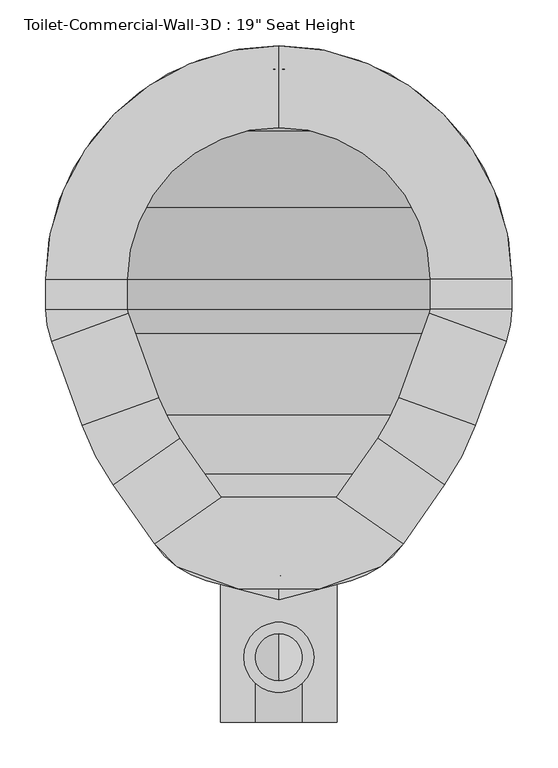
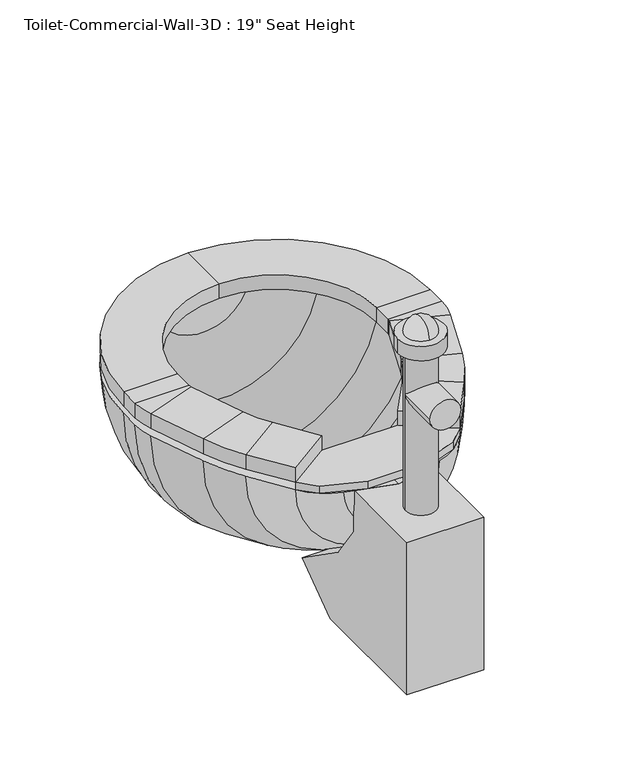
"""IFC4 building model written with IfcOpenShell, lengths in millimetres: flow terminal geometry."""

from ifc_helpers import new_model, si_unit, point, frame, frame_2d, origin, place, context, project, spatial, polyline, circle_curve, ellipse_curve, trimmed, segment, composite_curve, outline, extrude, source, transform, mapped, element, save
from ifc_brep_helpers import plane_surface, cylinder_surface, revolved_surface, advanced_brep


def flow_terminal_38ba6f98(model_context):
    return source(origin(), model_context, "Body", "SolidModel", [
        extrude(outline(polyline([(467.7541169, 397.4347495), (540.5767337, 346.4438043), (515.6262519, 321.4933226), (449.563909, 297.4485961), (360.2423986, 297.4485961), (294.1800557, 321.4933226), (269.229574, 346.4438043), (342.0521907, 397.4347495), (467.7541169, 397.4347495)])), frame((0.0, 0.0, 444.5), z_axis=(0.0, 0.0, 1.0), x_axis=(1.0, 0.0, 0.0)), (0.0, 0.0, 1.0), 12.7),
        advanced_brep(
        [(467.7541169, 397.4347495, 457.2), (540.5767337, 346.4438043, 457.2), (540.5767337, 346.4438043, 482.6), (467.7541169, 397.4347495, 482.6), (512.8583992, 461.8503403, 457.2), (585.6810159, 410.8593951, 457.2), (585.6810159, 410.8593951, 482.6), (512.8583992, 461.8503403, 482.6), (619.360053, 475.5562234, 457.2), (535.821379, 505.9618141, 457.2), (619.360053, 475.5562234, 482.6), (535.821379, 505.9618141, 482.6), (569.2372501, 597.7711654, 457.2), (652.7759241, 567.3655747, 457.2), (652.7759241, 567.3655747, 482.6), (569.2372501, 597.7711654, 482.6), (658.9031538, 602.1148212, 457.2), (570.0031538, 602.1148212, 457.2), (658.9031538, 602.1148212, 482.6), (570.0031538, 602.1148212, 482.6), (570.0031538, 635.0, 457.2), (658.9031538, 635.0, 457.2), (658.9031538, 635.0, 482.6), (570.0031538, 635.0, 482.6), (404.9031538, 889.0, 457.2), (404.9031538, 800.1, 457.2), (404.9031538, 889.0, 482.6), (404.9031538, 800.1, 482.6), (150.9031538, 635.0, 457.2), (239.8031538, 635.0, 457.2), (150.9031538, 635.0, 482.6), (239.8031538, 635.0, 482.6), (239.8031538, 602.1148212, 457.2), (150.9031538, 602.1148212, 457.2), (150.9031538, 602.1148212, 482.6), (239.8031538, 602.1148212, 482.6), (157.0303835, 567.3655747, 457.2), (240.5690575, 597.7711654, 457.2), (157.0303835, 567.3655747, 482.6), (240.5690575, 597.7711654, 482.6), (273.9849286, 505.9618141, 457.2), (190.4462546, 475.5562234, 457.2), (190.4462546, 475.5562234, 482.6), (273.9849286, 505.9618141, 482.6), (224.1252917, 410.8593951, 457.2), (296.9479084, 461.8503403, 457.2), (224.1252917, 410.8593951, 482.6), (296.9479084, 461.8503403, 482.6), (342.0521907, 397.4347495, 457.2), (342.0521907, 397.4347495, 482.6), (269.229574, 346.4438043, 482.6), (269.229574, 346.4438043, 457.2)],
        [
            (0, 1),
            (1, 2),
            (2, 3),
            (3, 0),
            (0, 4),
            (4, 5),
            (5, 1),
            (5, 6),
            (6, 2),
            (6, 7),
            (7, 3),
            (7, 4),
            (8, 5, circle_curve(frame((356.8099347, 571.1166514, 457.2), z_axis=(0.0, 0.0, -1.0), x_axis=(0.81915204428899, -0.5735764363510486, 0.0)), 279.4)),
            (4, 9, circle_curve(frame((356.8099347, 571.1166514, 457.2), z_axis=(0.0, 0.0, 1.0), x_axis=(0.81915204428899, -0.5735764363510486, 0.0)), 190.5)),
            (9, 8),
            (10, 6, circle_curve(frame((356.8099347, 571.1166514, 482.6), z_axis=(0.0, 0.0, -1.0), x_axis=(0.81915204428899, -0.5735764363510486, 0.0)), 279.4)),
            (8, 10),
            (11, 7, circle_curve(frame((356.8099347, 571.1166514, 482.6), z_axis=(0.0, 0.0, -1.0), x_axis=(0.81915204428899, -0.5735764363510486, 0.0)), 190.5)),
            (10, 11),
            (11, 9),
            (9, 12),
            (12, 13),
            (13, 8),
            (13, 14),
            (14, 10),
            (14, 15),
            (15, 11),
            (15, 12),
            (16, 13, circle_curve(frame((557.3031538, 602.1148212, 457.2), z_axis=(0.0, 0.0, -1.0), x_axis=(0.939692620785906, -0.34202014332567526, 0.0)), 101.6)),
            (12, 17, circle_curve(frame((557.3031538, 602.1148212, 457.2), z_axis=(0.0, 0.0, 1.0), x_axis=(0.939692620785906, -0.34202014332567526, 0.0)), 12.7)),
            (17, 16),
            (18, 14, circle_curve(frame((557.3031538, 602.1148212, 482.6), z_axis=(0.0, 0.0, -1.0), x_axis=(0.939692620785906, -0.34202014332567526, 0.0)), 101.6)),
            (16, 18),
            (19, 15, circle_curve(frame((557.3031538, 602.1148212, 482.6), z_axis=(0.0, 0.0, -1.0), x_axis=(0.939692620785906, -0.34202014332567526, 0.0)), 12.7)),
            (18, 19),
            (19, 17),
            (17, 20),
            (20, 21),
            (21, 16),
            (21, 22),
            (22, 18),
            (22, 23),
            (23, 19),
            (23, 20),
            (24, 21, circle_curve(frame((404.9031538, 635.0, 457.2), z_axis=(0.0, 0.0, -1.0), x_axis=(1.0, 0.0, 0.0)), 254.0)),
            (20, 25, circle_curve(frame((404.9031538, 635.0, 457.2), z_axis=(0.0, 0.0, 1.0), x_axis=(1.0, 0.0, 0.0)), 165.1)),
            (25, 24),
            (26, 22, circle_curve(frame((404.9031538, 635.0, 482.6), z_axis=(0.0, 0.0, -1.0), x_axis=(1.0, 0.0, 0.0)), 254.0)),
            (24, 26),
            (27, 23, circle_curve(frame((404.9031538, 635.0, 482.6), z_axis=(0.0, 0.0, -1.0), x_axis=(1.0, 0.0, 0.0)), 165.1)),
            (26, 27),
            (27, 25),
            (28, 24, circle_curve(frame((404.9031538, 635.0, 457.2), z_axis=(0.0, 0.0, -1.0), x_axis=(0.0, 1.0, 0.0)), 254.0)),
            (25, 29, circle_curve(frame((404.9031538, 635.0, 457.2), z_axis=(0.0, 0.0, 1.0), x_axis=(0.0, 1.0, 0.0)), 165.1)),
            (29, 28),
            (30, 26, circle_curve(frame((404.9031538, 635.0, 482.6), z_axis=(0.0, 0.0, -1.0), x_axis=(0.0, 1.0, 0.0)), 254.0)),
            (28, 30),
            (31, 27, circle_curve(frame((404.9031538, 635.0, 482.6), z_axis=(0.0, 0.0, -1.0), x_axis=(0.0, 1.0, 0.0)), 165.1)),
            (30, 31),
            (31, 29),
            (29, 32),
            (32, 33),
            (33, 28),
            (33, 34),
            (34, 30),
            (34, 35),
            (35, 31),
            (35, 32),
            (36, 33, circle_curve(frame((252.5031538, 602.1148212, 457.2), z_axis=(0.0, 0.0, -1.0), x_axis=(-1.0, 0.0, 0.0)), 101.6)),
            (32, 37, circle_curve(frame((252.5031538, 602.1148212, 457.2), z_axis=(0.0, 0.0, 1.0), x_axis=(-1.0, 0.0, 0.0)), 12.7)),
            (37, 36),
            (38, 34, circle_curve(frame((252.5031538, 602.1148212, 482.6), z_axis=(0.0, 0.0, -1.0), x_axis=(-1.0, 0.0, 0.0)), 101.6)),
            (36, 38),
            (39, 35, circle_curve(frame((252.5031538, 602.1148212, 482.6), z_axis=(0.0, 0.0, -1.0), x_axis=(-1.0, 0.0, 0.0)), 12.7)),
            (38, 39),
            (39, 37),
            (37, 40),
            (40, 41),
            (41, 36),
            (41, 42),
            (42, 38),
            (42, 43),
            (43, 39),
            (43, 40),
            (44, 41, circle_curve(frame((452.9963729, 571.1166514, 457.2), z_axis=(0.0, 0.0, -1.0), x_axis=(-0.9396926207859088, -0.34202014332566766, 0.0)), 279.4)),
            (40, 45, circle_curve(frame((452.9963729, 571.1166514, 457.2), z_axis=(0.0, 0.0, 1.0), x_axis=(-0.9396926207859088, -0.34202014332566766, 0.0)), 190.5)),
            (45, 44),
            (46, 42, circle_curve(frame((452.9963729, 571.1166514, 482.6), z_axis=(0.0, 0.0, -1.0), x_axis=(-0.9396926207859088, -0.34202014332566766, 0.0)), 279.4)),
            (44, 46),
            (47, 43, circle_curve(frame((452.9963729, 571.1166514, 482.6), z_axis=(0.0, 0.0, -1.0), x_axis=(-0.9396926207859088, -0.34202014332566766, 0.0)), 190.5)),
            (46, 47),
            (47, 45),
            (48, 49),
            (49, 50),
            (50, 51),
            (51, 48),
            (45, 48),
            (51, 44),
            (50, 46),
            (49, 47),
        ],
        [
            plane_surface(frame((540.5767337, 346.4438043, 541.2203184), z_axis=(-0.5735764363510383, -0.8191520442889972, 0.0), x_axis=(0.8191520442889972, -0.5735764363510383, 0.0))),
            plane_surface(frame((467.7541169, 397.4347495, 457.2), z_axis=(0.0, 0.0, -1.0000000000000002), x_axis=(0.5735764363510378, 0.8191520442889977, 0.0))),
            plane_surface(frame((540.5767337, 346.4438043, 457.2), z_axis=(0.8191520442889969, -0.5735764363510387, 0.0), x_axis=(0.5735764363510387, 0.8191520442889969, 0.0))),
            plane_surface(frame((540.5767337, 346.4438043, 482.6), z_axis=(0.0, 0.0, 1.0), x_axis=(0.5735764363510382, 0.8191520442889973, 0.0))),
            plane_surface(frame((467.7541169, 397.4347495, 482.6), z_axis=(-0.8191520442889973, 0.5735764363510382, 0.0), x_axis=(0.5735764363510382, 0.8191520442889973, 0.0))),
            plane_surface(frame((356.8099347, 571.1166514, 457.2), z_axis=(0.0, 0.0, -1.0), x_axis=(0.81915204428899, -0.5735764363510486, 0.0))),
            cylinder_surface(frame((356.8099347, 571.1166514, 444.5), z_axis=(0.0, 0.0, 1.0), x_axis=(0.81915204428899, -0.5735764363510486, 0.0)), 279.4),
            plane_surface(frame((356.8099347, 571.1166514, 482.6), z_axis=(0.0, 0.0, 1.0), x_axis=(0.81915204428899, -0.5735764363510486, 0.0))),
            revolved_surface(polyline([(512.8583991370526, 461.8503402751253, 482.6), (512.8583991370526, 461.8503402751253, 457.2)]), (356.8099347, 571.1166514, 444.5), (0.0, 0.0, 1.0)),
            plane_surface(frame((535.821379, 505.9618141, 457.2), z_axis=(0.0, 0.0, -1.0), x_axis=(0.34202014332566494, 0.9396926207859098, 0.0))),
            plane_surface(frame((619.360053, 475.5562234, 457.2), z_axis=(0.9396926207859094, -0.34202014332566594, 0.0), x_axis=(0.34202014332566594, 0.9396926207859094, 0.0))),
            plane_surface(frame((619.360053, 475.5562234, 482.6), z_axis=(0.0, 0.0, 1.0), x_axis=(0.34202014332566427, 0.93969262078591, 0.0))),
            plane_surface(frame((535.821379, 505.9618141, 482.6), z_axis=(-0.9396926207859093, 0.34202014332566644, 0.0), x_axis=(0.34202014332566644, 0.9396926207859093, 0.0))),
            plane_surface(frame((557.3031538, 602.1148212, 457.2), z_axis=(0.0, 0.0, -1.0), x_axis=(0.939692620785906, -0.34202014332567526, 0.0))),
            cylinder_surface(frame((557.3031538, 602.1148212, 444.5), z_axis=(0.0, 0.0, 1.0), x_axis=(0.939692620785906, -0.34202014332567526, 0.0)), 101.6),
            plane_surface(frame((557.3031538, 602.1148212, 482.6), z_axis=(0.0, 0.0, 1.0), x_axis=(0.939692620785906, -0.34202014332567526, 0.0))),
            revolved_surface(polyline([(569.237250083981, 597.7711653797639, 482.6), (569.237250083981, 597.7711653797639, 457.2)]), (557.3031538, 602.1148212, 444.5), (0.0, 0.0, 1.0)),
            plane_surface(frame((570.0031538, 602.1148212, 457.2), z_axis=(0.0, 0.0, -1.0), x_axis=(0.0, 1.0, 0.0))),
            plane_surface(frame((658.9031538, 602.1148212, 457.2), z_axis=(1.0, 0.0, 0.0), x_axis=(0.0, 1.0, 0.0))),
            plane_surface(frame((658.9031538, 602.1148212, 482.6), z_axis=(0.0, 0.0, 1.0), x_axis=(0.0, 1.0, 0.0))),
            plane_surface(frame((570.0031538, 602.1148212, 482.6), z_axis=(-1.0, 0.0, 0.0), x_axis=(0.0, 1.0, 0.0))),
            plane_surface(frame((404.9031538, 635.0, 457.2), z_axis=(0.0, 0.0, -1.0), x_axis=(1.0, 0.0, 0.0))),
            cylinder_surface(frame((404.9031538, 635.0, 444.5), z_axis=(0.0, 0.0, 1.0), x_axis=(1.0, 0.0, 0.0)), 254.0),
            plane_surface(frame((404.9031538, 635.0, 482.6), z_axis=(0.0, 0.0, 1.0), x_axis=(1.0, 0.0, 0.0))),
            revolved_surface(polyline([(570.0031538, 635.0, 482.6), (570.0031538, 635.0, 457.2)]), (404.9031538, 635.0, 444.5), (0.0, 0.0, 1.0)),
            plane_surface(frame((404.9031538, 635.0, 457.2), z_axis=(0.0, 0.0, -1.0), x_axis=(0.0, 1.0, 0.0))),
            cylinder_surface(frame((404.9031538, 635.0, 444.5), z_axis=(0.0, 0.0, 1.0), x_axis=(0.0, 1.0, 0.0)), 254.0),
            plane_surface(frame((404.9031538, 635.0, 482.6), z_axis=(0.0, 0.0, 1.0), x_axis=(0.0, 1.0, 0.0))),
            revolved_surface(polyline([(404.9031538, 800.1, 482.6), (404.9031538, 800.1, 457.2)]), (404.9031538, 635.0, 444.5), (0.0, 0.0, 1.0)),
            plane_surface(frame((239.8031538, 635.0, 457.2), z_axis=(0.0, 0.0, -1.0), x_axis=(0.0, -1.0, 0.0))),
            plane_surface(frame((150.9031538, 635.0, 457.2), z_axis=(-1.0, 0.0, 0.0), x_axis=(0.0, -1.0, 0.0))),
            plane_surface(frame((150.9031538, 635.0, 482.6), z_axis=(0.0, 0.0, 1.0), x_axis=(0.0, -1.0, 0.0))),
            plane_surface(frame((239.8031538, 635.0, 482.6), z_axis=(1.0, 0.0, 0.0), x_axis=(0.0, -1.0, 0.0))),
            plane_surface(frame((252.5031538, 602.1148212, 457.2), z_axis=(0.0, 0.0, -1.0), x_axis=(-1.0, 0.0, 0.0))),
            cylinder_surface(frame((252.5031538, 602.1148212, 444.5), z_axis=(0.0, 0.0, 1.0), x_axis=(-1.0, 0.0, 0.0)), 101.6),
            plane_surface(frame((252.5031538, 602.1148212, 482.6), z_axis=(0.0, 0.0, 1.0), x_axis=(-1.0, 0.0, 0.0))),
            revolved_surface(polyline([(239.80315380000002, 602.1148212, 482.6), (239.80315380000002, 602.1148212, 457.2)]), (252.5031538, 602.1148212, 444.5), (0.0, 0.0, 1.0)),
            plane_surface(frame((240.5690575, 597.7711654, 457.2), z_axis=(0.0, 0.0, -1.0), x_axis=(0.34202014332565595, -0.9396926207859131, 0.0))),
            plane_surface(frame((157.0303835, 567.3655747, 457.2), z_axis=(-0.9396926207859132, -0.34202014332565545, 0.0), x_axis=(0.34202014332565545, -0.9396926207859132, 0.0))),
            plane_surface(frame((157.0303835, 567.3655747, 482.6), z_axis=(0.0, 0.0, 1.0000000000000002), x_axis=(0.3420201433256561, -0.9396926207859131, 0.0))),
            plane_surface(frame((240.5690575, 597.7711654, 482.6), z_axis=(0.9396926207859132, 0.34202014332565567, 0.0), x_axis=(0.34202014332565567, -0.9396926207859132, 0.0))),
            plane_surface(frame((452.9963729, 571.1166514, 457.2), z_axis=(0.0, 0.0, -1.0), x_axis=(-0.9396926207859088, -0.34202014332566766, 0.0))),
            cylinder_surface(frame((452.9963729, 571.1166514, 444.5), z_axis=(0.0, 0.0, 1.0), x_axis=(-0.9396926207859088, -0.34202014332566766, 0.0)), 279.4),
            plane_surface(frame((452.9963729, 571.1166514, 482.6), z_axis=(0.0, 0.0, 1.0), x_axis=(-0.9396926207859088, -0.34202014332566766, 0.0))),
            revolved_surface(polyline([(273.98492864028435, 505.96181409646033, 482.6), (273.98492864028435, 505.96181409646033, 457.2)]), (452.9963729, 571.1166514, 444.5), (0.0, 0.0, 1.0)),
            plane_surface(frame((269.229574, 346.4438043, 347.7796816), z_axis=(0.5735764363510499, -0.8191520442889892, 0.0), x_axis=(0.8191520442889892, 0.5735764363510499, 0.0))),
            plane_surface(frame((296.9479084, 461.8503403, 457.2), z_axis=(0.0, 0.0, -1.0000000000000002), x_axis=(0.5735764363510494, -0.8191520442889896, 0.0))),
            plane_surface(frame((224.1252917, 410.8593951, 457.2), z_axis=(-0.819152044288989, -0.5735764363510502, 0.0), x_axis=(0.5735764363510502, -0.819152044288989, 0.0))),
            plane_surface(frame((224.1252917, 410.8593951, 482.6), z_axis=(0.0, 0.0, 1.0000000000000002), x_axis=(0.5735764363510502, -0.819152044288989, 0.0))),
            plane_surface(frame((296.9479084, 461.8503403, 482.6), z_axis=(0.8191520442889896, 0.5735764363510494, 0.0), x_axis=(0.5735764363510494, -0.8191520442889896, 0.0))),
        ],
        [
            (0, [[1, 2, 3, 4]]),
            (1, [[-1, 5, 6, 7]]),
            (2, [[-2, -7, 8, 9]]),
            (3, [[-3, -9, 10, 11]]),
            (4, [[-4, -11, 12, -5]]),
            (5, [[13, -6, 14, 15]]),
            (6, [[16, -8, -13, 17]]),
            (7, [[18, -10, -16, 19]]),
            (8, [[-14, -12, -18, 20]]),
            (9, [[-15, 21, 22, 23]]),
            (10, [[-17, -23, 24, 25]]),
            (11, [[-19, -25, 26, 27]]),
            (12, [[-20, -27, 28, -21]]),
            (13, [[29, -22, 30, 31]]),
            (14, [[32, -24, -29, 33]]),
            (15, [[34, -26, -32, 35]]),
            (16, [[-30, -28, -34, 36]]),
            (17, [[-31, 37, 38, 39]]),
            (18, [[-33, -39, 40, 41]]),
            (19, [[-35, -41, 42, 43]]),
            (20, [[-36, -43, 44, -37]]),
            (21, [[45, -38, 46, 47]]),
            (22, [[48, -40, -45, 49]]),
            (23, [[50, -42, -48, 51]]),
            (24, [[-46, -44, -50, 52]]),
            (25, [[53, -47, 54, 55]]),
            (26, [[56, -49, -53, 57]]),
            (27, [[58, -51, -56, 59]]),
            (28, [[-54, -52, -58, 60]]),
            (29, [[-55, 61, 62, 63]]),
            (30, [[-57, -63, 64, 65]]),
            (31, [[-59, -65, 66, 67]]),
            (32, [[-60, -67, 68, -61]]),
            (33, [[69, -62, 70, 71]]),
            (34, [[72, -64, -69, 73]]),
            (35, [[74, -66, -72, 75]]),
            (36, [[-70, -68, -74, 76]]),
            (37, [[-71, 77, 78, 79]]),
            (38, [[-73, -79, 80, 81]]),
            (39, [[-75, -81, 82, 83]]),
            (40, [[-76, -83, 84, -77]]),
            (41, [[85, -78, 86, 87]]),
            (42, [[88, -80, -85, 89]]),
            (43, [[90, -82, -88, 91]]),
            (44, [[-86, -84, -90, 92]]),
            (45, [[93, 94, 95, 96]]),
            (46, [[-87, 97, -96, 98]]),
            (47, [[-89, -98, -95, 99]]),
            (48, [[-91, -99, -94, 100]]),
            (49, [[-92, -100, -93, -97]]),
        ],
    ),
        advanced_brep(
        [(491.7762702, 873.6819257, 444.5), (404.9031538, 889.0, 444.5), (404.9031538, 863.6, 444.5), (483.0889586, 849.8137331, 444.5), (566.547764, 796.6446102, 444.5), (619.7168869, 713.1858048, 444.5), (633.5031538, 635.0, 444.5), (633.5031538, 602.1148212, 444.5), (628.9077315, 576.0528863, 444.5), (596.6355667, 487.3858422, 444.5), (562.9565296, 422.6890139, 444.5), (525.0728964, 368.5855786, 444.5), (468.1430637, 328.7228806, 444.5), (404.9031538, 311.7777978, 444.5), (404.9031538, 285.4817829, 444.5), (483.6469009, 306.5811063, 444.5), (540.5767337, 346.4438043, 444.5), (585.6810159, 410.8593951, 444.5), (619.360053, 475.5562234, 444.5), (652.7759241, 567.3655747, 444.5), (658.9031538, 602.1148212, 444.5), (658.9031538, 635.0, 444.5), (643.5850795, 721.8731164, 444.5), (584.5082762, 814.6051224, 444.5), (318.0300374, 873.6819257, 444.5), (225.2980314, 814.6051224, 444.5), (166.2212281, 721.8731164, 444.5), (150.9031538, 635.0, 444.5), (150.9031538, 602.1148212, 444.5), (157.0303835, 567.3655747, 444.5), (190.4462546, 475.5562234, 444.5), (224.1252917, 410.8593951, 444.5), (269.229574, 346.4438043, 444.5), (326.1594067, 306.5811063, 444.5), (341.663244, 328.7228806, 444.5), (284.7334112, 368.5855786, 444.5), (246.849778, 422.6890139, 444.5), (213.1707409, 487.3858422, 444.5), (180.8985761, 576.0528863, 444.5), (176.3031538, 602.1148212, 444.5), (176.3031538, 635.0, 444.5), (190.0894207, 713.1858048, 444.5), (243.2585436, 796.6446102, 444.5), (326.7173491, 849.8137331, 444.5)],
        [
            (0, 1, circle_curve(frame((404.9031538, 635.0, 444.5), z_axis=(0.0, 0.0, 1.0), x_axis=(1.0, 0.0, 0.0)), 254.0)),
            (1, 2),
            (2, 3, circle_curve(frame((404.9031538, 635.0, 444.5), z_axis=(0.0, 0.0, -1.0), x_axis=(1.0, 0.0, 0.0)), 228.6)),
            (3, 4, circle_curve(frame((404.9031538, 635.0, 444.5), z_axis=(0.0, 0.0, -1.0), x_axis=(1.0, 0.0, 0.0)), 228.6)),
            (4, 5, circle_curve(frame((404.9031538, 635.0, 444.5), z_axis=(0.0, 0.0, -1.0), x_axis=(1.0, 0.0, 0.0)), 228.6)),
            (5, 6, circle_curve(frame((404.9031538, 635.0, 444.5), z_axis=(0.0, 0.0, -1.0), x_axis=(1.0, 0.0, 0.0)), 228.6)),
            (6, 7),
            (7, 8, circle_curve(frame((557.3031538, 602.1148212, 444.5), z_axis=(0.0, 0.0, -1.0), x_axis=(1.0, 0.0, 0.0)), 76.2)),
            (8, 9),
            (9, 10, circle_curve(frame((334.0854485, 582.9462703, 444.5), z_axis=(0.0, 0.0, -1.0), x_axis=(1.0, 0.0, 0.0)), 279.4)),
            (10, 11),
            (11, 12, circle_curve(frame((441.8470487, 426.8609446, 444.5), z_axis=(0.0, 0.0, -1.0), x_axis=(1.0, 0.0, 0.0)), 101.6)),
            (12, 13),
            (13, 14),
            (14, 15),
            (15, 16, circle_curve(frame((457.350886, 404.7191703, 444.5), z_axis=(0.0, 0.0, 1.0), x_axis=(1.0, 0.0, 0.0)), 101.6)),
            (16, 17),
            (17, 18, circle_curve(frame((356.8099347, 571.1166514, 444.5), z_axis=(0.0, 0.0, 1.0), x_axis=(1.0, 0.0, 0.0)), 279.4)),
            (18, 19),
            (19, 20, circle_curve(frame((557.3031538, 602.1148212, 444.5), z_axis=(0.0, 0.0, 1.0), x_axis=(1.0, 0.0, 0.0)), 101.6)),
            (20, 21),
            (21, 22, circle_curve(frame((404.9031538, 635.0, 444.5), z_axis=(0.0, 0.0, 1.0), x_axis=(1.0, 0.0, 0.0)), 254.0)),
            (22, 23, circle_curve(frame((404.9031538, 635.0, 444.5), z_axis=(0.0, 0.0, 1.0), x_axis=(1.0, 0.0, 0.0)), 254.0)),
            (23, 0, circle_curve(frame((404.9031538, 635.0, 444.5), z_axis=(0.0, 0.0, 1.0), x_axis=(1.0, 0.0, 0.0)), 254.0)),
            (24, 25, circle_curve(frame((404.9031538, 635.0, 444.5), z_axis=(0.0, 0.0, 1.0), x_axis=(-1.0, 0.0, 0.0)), 254.0)),
            (25, 26, circle_curve(frame((404.9031538, 635.0, 444.5), z_axis=(0.0, 0.0, 1.0), x_axis=(-1.0, 0.0, 0.0)), 254.0)),
            (26, 27, circle_curve(frame((404.9031538, 635.0, 444.5), z_axis=(0.0, 0.0, 1.0), x_axis=(-1.0, 0.0, 0.0)), 254.0)),
            (27, 28),
            (28, 29, circle_curve(frame((252.5031538, 602.1148212, 444.5), z_axis=(0.0, 0.0, 1.0), x_axis=(-1.0, 0.0, 0.0)), 101.6)),
            (29, 30),
            (30, 31, circle_curve(frame((452.9963729, 571.1166514, 444.5), z_axis=(0.0, 0.0, 1.0), x_axis=(-1.0, 0.0, 0.0)), 279.4)),
            (31, 32),
            (32, 33, circle_curve(frame((352.4554217, 404.7191703, 444.5), z_axis=(0.0, 0.0, 1.0), x_axis=(-1.0, 0.0, 0.0)), 101.6)),
            (33, 14),
            (13, 34),
            (34, 35, circle_curve(frame((367.9592589, 426.8609446, 444.5), z_axis=(0.0, 0.0, -1.0), x_axis=(-1.0, 0.0, 0.0)), 101.6)),
            (35, 36),
            (36, 37, circle_curve(frame((475.7208592, 582.9462703, 444.5), z_axis=(0.0, 0.0, -1.0), x_axis=(-1.0, 0.0, 0.0)), 279.4)),
            (37, 38),
            (38, 39, circle_curve(frame((252.5031538, 602.1148212, 444.5), z_axis=(0.0, 0.0, -1.0), x_axis=(-1.0, 0.0, 0.0)), 76.2)),
            (39, 40),
            (40, 41, circle_curve(frame((404.9031538, 635.0, 444.5), z_axis=(0.0, 0.0, -1.0), x_axis=(-1.0, 0.0, 0.0)), 228.6)),
            (41, 42, circle_curve(frame((404.9031538, 635.0, 444.5), z_axis=(0.0, 0.0, -1.0), x_axis=(-1.0, 0.0, 0.0)), 228.6)),
            (42, 43, circle_curve(frame((404.9031538, 635.0, 444.5), z_axis=(0.0, 0.0, -1.0), x_axis=(-1.0, 0.0, 0.0)), 228.6)),
            (43, 2, circle_curve(frame((404.9031538, 635.0, 444.5), z_axis=(0.0, 0.0, -1.0), x_axis=(-1.0, 0.0, 0.0)), 228.6)),
            (1, 24, circle_curve(frame((404.9031538, 635.0, 444.5), z_axis=(0.0, 0.0, 1.0), x_axis=(-1.0, 0.0, 0.0)), 254.0)),
            (0, 24, circle_curve(frame((404.9031538, 873.6819257, 444.5), z_axis=(0.0, 1.0, 0.0), x_axis=(1.0, 0.0, 0.0)), 86.8731164)),
            (43, 3, circle_curve(frame((404.9031538, 849.8137331, 444.5), z_axis=(0.0, -1.0, 0.0), x_axis=(1.0, 0.0, 0.0)), 78.1858048)),
            (42, 4, circle_curve(frame((404.9031538, 796.6446102, 444.5), z_axis=(0.0, -1.0, 0.0), x_axis=(1.0, 0.0, 0.0)), 161.6446102)),
            (41, 5, circle_curve(frame((404.9031538, 713.1858048, 444.5), z_axis=(0.0, -1.0, 0.0), x_axis=(1.0, 0.0, 0.0)), 214.8137331)),
            (40, 6, circle_curve(frame((404.9031538, 635.0, 444.5), z_axis=(0.0, -1.0, 0.0), x_axis=(1.0, 0.0, 0.0)), 228.6)),
            (39, 7, circle_curve(frame((404.9031538, 602.1148212, 444.5), z_axis=(0.0, -1.0, 0.0), x_axis=(1.0, 0.0, 0.0)), 228.6)),
            (38, 8, circle_curve(frame((404.9031538, 576.0528863, 444.5), z_axis=(0.0, -1.0, 0.0), x_axis=(1.0, 0.0, 0.0)), 224.0045777)),
            (37, 9, circle_curve(frame((404.9031538, 487.3858422, 444.5), z_axis=(0.0, -1.0, 0.0), x_axis=(1.0, 0.0, 0.0)), 191.7324129)),
            (36, 10, circle_curve(frame((404.9031538, 422.6890139, 444.5), z_axis=(0.0, -1.0, 0.0), x_axis=(1.0, 0.0, 0.0)), 158.0533758)),
            (35, 11, circle_curve(frame((404.9031538, 368.5855786, 444.5), z_axis=(0.0, -1.0, 0.0), x_axis=(1.0, 0.0, 0.0)), 120.1697426)),
            (34, 12, circle_curve(frame((404.9031538, 328.7228806, 444.5), z_axis=(0.0, -1.0, 0.0), x_axis=(1.0, 0.0, 0.0)), 63.2399099)),
            (33, 15, circle_curve(frame((404.9031538, 306.5811063, 444.5), z_axis=(0.0, -1.0, 0.0), x_axis=(1.0, 0.0, 0.0)), 78.7437471)),
            (32, 16, circle_curve(frame((404.9031538, 346.4438043, 444.5), z_axis=(0.0, -1.0, 0.0), x_axis=(1.0, 0.0, 0.0)), 135.6735798)),
            (31, 17, circle_curve(frame((404.9031538, 410.8593951, 444.5), z_axis=(0.0, -1.0, 0.0), x_axis=(1.0, 0.0, 0.0)), 180.7778621)),
            (30, 18, circle_curve(frame((404.9031538, 475.5562234, 444.5), z_axis=(0.0, -1.0, 0.0), x_axis=(1.0, 0.0, 0.0)), 214.4568992)),
            (29, 19, circle_curve(frame((404.9031538, 567.3655747, 444.5), z_axis=(0.0, -1.0, 0.0), x_axis=(1.0, 0.0, 0.0)), 247.8727703)),
            (28, 20, circle_curve(frame((404.9031538, 602.1148212, 444.5), z_axis=(0.0, -1.0, 0.0), x_axis=(1.0, 0.0, 0.0)), 254.0)),
            (27, 21, circle_curve(frame((404.9031538, 635.0, 444.5), z_axis=(0.0, -1.0, 0.0), x_axis=(1.0, 0.0, 0.0)), 254.0)),
            (26, 22, circle_curve(frame((404.9031538, 721.8731164, 444.5), z_axis=(0.0, -1.0, 0.0), x_axis=(1.0, 0.0, 0.0)), 238.6819257)),
            (25, 23, circle_curve(frame((404.9031538, 814.6051224, 444.5), z_axis=(0.0, -1.0, 0.0), x_axis=(1.0, 0.0, 0.0)), 179.6051224)),
        ],
        [
            plane_surface(frame((404.9031538, 994.2102448, 444.5), z_axis=(0.0, 0.0, 1.0), x_axis=(1.0, 0.0, 0.0))),
            plane_surface(frame((404.9031538, 994.2102448, 444.5), z_axis=(0.0, 0.0, 1.0), x_axis=(-1.0, 0.0, 0.0))),
            revolved_surface(trimmed(ellipse_curve(frame((404.9031538, 635.0, 444.5), z_axis=(0.0, 0.0, 1.0), x_axis=(1.0, 0.0, 0.0)), 254.0, 254.0), [point((491.7762702, 873.6819257, 444.5))], [point((404.9031538, 889.0, 444.5))], True, "CARTESIAN"), (404.9031538, 994.2102448, 444.5), (0.0, 1.0, 0.0)),
            revolved_surface(trimmed(ellipse_curve(frame((404.9031538, 635.0, 444.5), z_axis=(0.0, 0.0, -1.0), x_axis=(1.0, 0.0, 0.0)), 228.6, 228.6), [point((404.9031538, 863.6, 444.5))], [point((483.0889586, 849.8137331, 444.5))], True, "CARTESIAN"), (404.9031538, 994.2102448, 444.5), (0.0, 1.0, 0.0)),
            revolved_surface(trimmed(ellipse_curve(frame((404.9031538, 635.0, 444.5), z_axis=(0.0, 0.0, -1.0), x_axis=(1.0, 0.0, 0.0)), 228.6, 228.6), [point((483.0889586, 849.8137331, 444.5))], [point((566.547764, 796.6446102, 444.5))], True, "CARTESIAN"), (404.9031538, 994.2102448, 444.5), (0.0, 1.0, 0.0)),
            revolved_surface(trimmed(ellipse_curve(frame((404.9031538, 635.0, 444.5), z_axis=(0.0, 0.0, -1.0), x_axis=(1.0, 0.0, 0.0)), 228.6, 228.6), [point((566.547764, 796.6446102, 444.5))], [point((619.7168869, 713.1858048, 444.5))], True, "CARTESIAN"), (404.9031538, 994.2102448, 444.5), (0.0, 1.0, 0.0)),
            revolved_surface(trimmed(ellipse_curve(frame((404.9031538, 635.0, 444.5), z_axis=(0.0, 0.0, -1.0), x_axis=(1.0, 0.0, 0.0)), 228.6, 228.6), [point((619.7168869, 713.1858048, 444.5))], [point((633.5031538, 635.0, 444.5))], True, "CARTESIAN"), (404.9031538, 994.2102448, 444.5), (0.0, 1.0, 0.0)),
            revolved_surface(polyline([(633.5031538, 635.0, 444.5), (633.5031538, 602.1148212, 444.5)]), (404.9031538, 994.2102448, 444.5), (0.0, 1.0, 0.0)),
            revolved_surface(trimmed(ellipse_curve(frame((557.3031538, 602.1148212, 444.5), z_axis=(0.0, 0.0, -1.0), x_axis=(1.0, 0.0, 0.0)), 76.2, 76.2), [point((633.5031538, 602.1148212, 444.5))], [point((628.9077315, 576.0528863, 444.5))], True, "CARTESIAN"), (404.9031538, 994.2102448, 444.5), (0.0, 1.0, 0.0)),
            revolved_surface(polyline([(628.9077315, 576.0528863, 444.5), (596.6355667, 487.3858422, 444.5)]), (404.9031538, 994.2102448, 444.5), (0.0, 1.0, 0.0)),
            revolved_surface(trimmed(ellipse_curve(frame((334.0854485, 582.9462703, 444.5), z_axis=(0.0, 0.0, -1.0), x_axis=(1.0, 0.0, 0.0)), 279.4, 279.4), [point((596.6355667, 487.3858422, 444.5))], [point((562.9565296, 422.6890139, 444.5))], True, "CARTESIAN"), (404.9031538, 994.2102448, 444.5), (0.0, 1.0, 0.0)),
            revolved_surface(polyline([(562.9565296, 422.6890139, 444.5), (525.0728964, 368.5855786, 444.5)]), (404.9031538, 994.2102448, 444.5), (0.0, 1.0, 0.0)),
            revolved_surface(trimmed(ellipse_curve(frame((441.8470487, 426.8609446, 444.5), z_axis=(0.0, 0.0, -1.0), x_axis=(1.0, 0.0, 0.0)), 101.6, 101.6), [point((525.0728964, 368.5855786, 444.5))], [point((468.1430637, 328.7228806, 444.5))], True, "CARTESIAN"), (404.9031538, 994.2102448, 444.5), (0.0, 1.0, 0.0)),
            revolved_surface(polyline([(468.1430637, 328.7228806, 444.5), (404.9031538, 311.7777978, 444.5)]), (404.9031538, 994.2102448, 444.5), (0.0, 1.0, 0.0)),
            revolved_surface(polyline([(404.9031538, 285.4817829, 444.5), (483.6469009, 306.5811063, 444.5)]), (404.9031538, 994.2102448, 444.5), (0.0, 1.0, 0.0)),
            revolved_surface(trimmed(ellipse_curve(frame((457.350886, 404.7191703, 444.5), z_axis=(0.0, 0.0, 1.0), x_axis=(1.0, 0.0, 0.0)), 101.6, 101.6), [point((483.6469009, 306.5811063, 444.5))], [point((540.5767337, 346.4438043, 444.5))], True, "CARTESIAN"), (404.9031538, 994.2102448, 444.5), (0.0, 1.0, 0.0)),
            revolved_surface(polyline([(540.5767337, 346.4438043, 444.5), (585.6810159, 410.8593951, 444.5)]), (404.9031538, 994.2102448, 444.5), (0.0, 1.0, 0.0)),
            revolved_surface(trimmed(ellipse_curve(frame((356.8099347, 571.1166514, 444.5), z_axis=(0.0, 0.0, 1.0), x_axis=(1.0, 0.0, 0.0)), 279.4, 279.4), [point((585.6810159, 410.8593951, 444.5))], [point((619.360053, 475.5562234, 444.5))], True, "CARTESIAN"), (404.9031538, 994.2102448, 444.5), (0.0, 1.0, 0.0)),
            revolved_surface(polyline([(619.360053, 475.5562234, 444.5), (652.7759241, 567.3655747, 444.5)]), (404.9031538, 994.2102448, 444.5), (0.0, 1.0, 0.0)),
            revolved_surface(trimmed(ellipse_curve(frame((557.3031538, 602.1148212, 444.5), z_axis=(0.0, 0.0, 1.0), x_axis=(1.0, 0.0, 0.0)), 101.6, 101.6), [point((652.7759241, 567.3655747, 444.5))], [point((658.9031538, 602.1148212, 444.5))], True, "CARTESIAN"), (404.9031538, 994.2102448, 444.5), (0.0, 1.0, 0.0)),
            cylinder_surface(frame((404.9031538, 994.2102448, 444.5), z_axis=(0.0, 1.0, 0.0), x_axis=(1.0, 0.0, 0.0)), 254.0),
            revolved_surface(trimmed(ellipse_curve(frame((404.9031538, 635.0, 444.5), z_axis=(0.0, 0.0, 1.0), x_axis=(1.0, 0.0, 0.0)), 254.0, 254.0), [point((658.9031538, 635.0, 444.5))], [point((643.5850795, 721.8731164, 444.5))], True, "CARTESIAN"), (404.9031538, 994.2102448, 444.5), (0.0, 1.0, 0.0)),
            revolved_surface(trimmed(ellipse_curve(frame((404.9031538, 635.0, 444.5), z_axis=(0.0, 0.0, 1.0), x_axis=(1.0, 0.0, 0.0)), 254.0, 254.0), [point((643.5850795, 721.8731164, 444.5))], [point((584.5082762, 814.6051224, 444.5))], True, "CARTESIAN"), (404.9031538, 994.2102448, 444.5), (0.0, 1.0, 0.0)),
            revolved_surface(trimmed(ellipse_curve(frame((404.9031538, 635.0, 444.5), z_axis=(0.0, 0.0, 1.0), x_axis=(1.0, 0.0, 0.0)), 254.0, 254.0), [point((584.5082762, 814.6051224, 444.5))], [point((491.7762702, 873.6819257, 444.5))], True, "CARTESIAN"), (404.9031538, 994.2102448, 444.5), (0.0, 1.0, 0.0)),
        ],
        [
            (0, [[1, 2, 3, 4, 5, 6, 7, 8, 9, 10, 11, 12, 13, 14, 15, 16, 17, 18, 19, 20, 21, 22, 23, 24]]),
            (1, [[25, 26, 27, 28, 29, 30, 31, 32, 33, 34, -14, 35, 36, 37, 38, 39, 40, 41, 42, 43, 44, 45, -2, 46]]),
            (2, [[-1, 47, -46]]),
            (3, [[48, -3, -45]]),
            (4, [[49, -4, -48, -44]]),
            (5, [[50, -5, -49, -43]]),
            (6, [[51, -6, -50, -42]]),
            (7, [[52, -7, -51, -41]]),
            (8, [[53, -8, -52, -40]]),
            (9, [[54, -9, -53, -39]]),
            (10, [[55, -10, -54, -38]]),
            (11, [[56, -11, -55, -37]]),
            (12, [[57, -12, -56, -36]]),
            (13, [[-13, -57, -35]]),
            (14, [[58, -15, -34]]),
            (15, [[59, -16, -58, -33]]),
            (16, [[60, -17, -59, -32]]),
            (17, [[61, -18, -60, -31]]),
            (18, [[62, -19, -61, -30]]),
            (19, [[63, -20, -62, -29]]),
            (20, [[64, -21, -63, -28]]),
            (21, [[65, -22, -64, -27]]),
            (22, [[66, -23, -65, -26]]),
            (23, [[-47, -24, -66, -25]]),
        ],
    ),
        advanced_brep(
        [(404.9031538, 197.3176912, 749.3), (404.9031538, 248.5528563, 749.3), (404.9031538, 222.9352737, 774.9175826), (404.9031538, 222.9352737, 749.3)],
        [
            (0, 1, circle_curve(frame((404.9031538, 222.9352737, 749.3), z_axis=(0.0, 0.0, 1.0), x_axis=(0.0, 1.0, 0.0)), 25.6175826)),
            (1, 2, circle_curve(frame((404.9031538, 222.9352737, 749.3), z_axis=(1.0, 0.0, 0.0), x_axis=(0.0, -1.0, 0.0)), 25.6175826)),
            (2, 0, circle_curve(frame((404.9031538, 222.9352737, 749.3), z_axis=(1.0, 0.0, 0.0), x_axis=(0.0, 1.0, 0.0)), 25.6175826)),
            (1, 0, circle_curve(frame((404.9031538, 222.9352737, 749.3), z_axis=(0.0, 0.0, 1.0), x_axis=(0.0, 1.0, 0.0)), 25.6175826)),
            (3, 1),
            (0, 3),
        ],
        [
            revolved_surface(trimmed(ellipse_curve(frame((404.9031538, 222.9352737, 749.3), z_axis=(-1.0, 0.0, 0.0), x_axis=(0.0, -1.0, 0.0)), 25.6175826, 25.6175826), [point((404.9031538, 222.9352737, 774.9175826))], [point((404.9031538, 248.5528563, 749.3))], True, "CARTESIAN"), (404.9031538, 222.9352737, 813.9277273), (0.0, 0.0, -1.0)),
            plane_surface(frame((404.9031538, 222.9352737, 749.3), z_axis=(0.0, 0.0, -1.0), x_axis=(0.0, 1.0, 0.0))),
        ],
        [
            (0, [[1, 2, 3]]),
            (0, [[4, -3, -2]]),
            (1, [[5, -1, 6]]),
            (1, [[-6, -4, -5]]),
        ],
    ),
        extrude(outline(composite_curve([segment(trimmed(circle_curve(frame_2d((404.9031538, 222.9352737)), 38.1), [point((366.8031538, 222.9352737))], [point((443.0031538, 222.9352737))], False, "CARTESIAN"), True, "CONTINUOUS"), segment(trimmed(circle_curve(frame_2d((404.9031538, 222.9352737)), 38.1), [point((443.0031538, 222.9352737))], [point((366.8031538, 222.9352737))], False, "CARTESIAN"), True, "CONTINUOUS")], self_intersect=False)), frame((0.0, 0.0, 723.9), z_axis=(0.0, 0.0, 1.0), x_axis=(1.0, 0.0, 0.0)), (0.0, 0.0, 1.0), 25.4),
        extrude(outline(composite_curve([segment(trimmed(circle_curve(frame_2d((645.8113641, 404.9031538)), 25.4), [point((645.8113641, 379.5031538))], [point((645.8113641, 430.3031538))], False, "CARTESIAN"), True, "CONTINUOUS"), segment(trimmed(circle_curve(frame_2d((645.8113641, 404.9031538)), 25.4), [point((645.8113641, 430.3031538))], [point((645.8113641, 379.5031538))], False, "CARTESIAN"), True, "CONTINUOUS")], self_intersect=False)), frame((0.0, 152.4, 0.0), z_axis=(0.0, 1.0, 0.0), x_axis=(0.0, 0.0, 1.0)), (0.0, 0.0, 1.0), 70.64375),
        extrude(outline(composite_curve([segment(trimmed(circle_curve(frame_2d((404.9031538, 222.9352737)), 25.4), [point((379.5031538, 222.9352737))], [point((430.3031538, 222.9352737))], False, "CARTESIAN"), True, "CONTINUOUS"), segment(trimmed(circle_curve(frame_2d((404.9031538, 222.9352737)), 25.4), [point((430.3031538, 222.9352737))], [point((379.5031538, 222.9352737))], False, "CARTESIAN"), True, "CONTINUOUS")], self_intersect=False)), frame((0.0, 0.0, 444.5), z_axis=(0.0, 0.0, 1.0), x_axis=(1.0, 0.0, 0.0)), (0.0, 0.0, 1.0), 279.4),
        extrude(outline(polyline([(305.2037941, 444.5), (305.2037941, 370.896452), (348.9103185, 308.4770663), (452.9426282, 235.6328588), (372.4454017, 177.8), (152.4, 177.8), (152.4, 444.5), (305.2037941, 444.5)])), frame((341.4031538, 0.0, 0.0), z_axis=(1.0, 0.0, 0.0), x_axis=(0.0, 1.0, 0.0)), (0.0, 0.0, 1.0), 127.0),
    ])


if __name__ == "__main__":
    model = new_model("IFC4")
    model_context = context("Model", 3, world=origin())
    ifc_project = project(units=[si_unit("LENGTHUNIT", "METRE", prefix="MILLI")], contexts=[model_context])
    site = spatial("IfcSite", under=ifc_project)
    building = spatial("IfcBuilding", under=site)
    placement = place(None, origin())
    flow_terminal_shape = flow_terminal_38ba6f98(model_context)
    element("IfcFlowTerminal", 1, ObjectType="Toilet-Commercial-Wall-3D : 19\" Seat Height", at=placement, inside=building, context=model_context, shape_type="MappedRepresentation", body=[
        mapped(flow_terminal_shape, transform((0.0, 0.0, 0.0), x_axis=(1.0, 0.0, 0.0), y_axis=(0.0, 1.0, 0.0), z_axis=(0.0, 0.0, 1.0))),
    ])
    save(model, "model.ifc")
